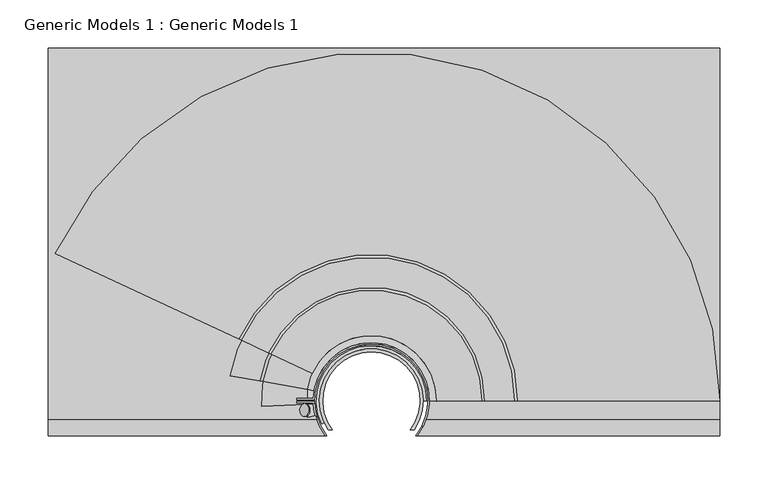
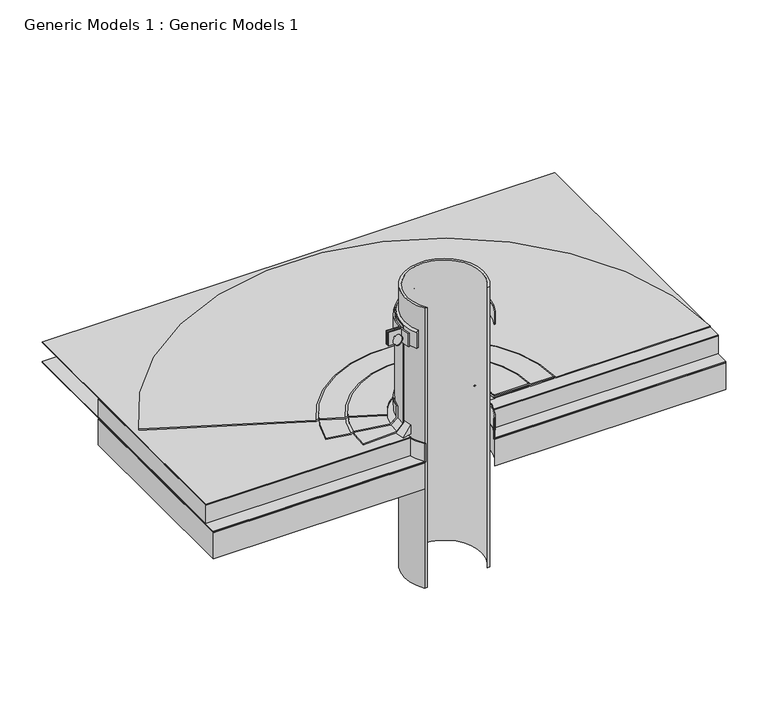
"""IFC4 building model written with IfcOpenShell, lengths in millimetres: proxy geometry, Generic Models 1 : Generic Models 1."""

from ifc_helpers import new_model, si_unit, point, frame, frame_2d, origin, place, context, project, spatial, polyline, circle_curve, ellipse_curve, trimmed, segment, composite_curve, outline, extrude, source, transform, mapped, element, save
from ifc_brep_helpers import plane_surface, cylinder_surface, revolved_surface, advanced_brep


def generic_models_1_generic_models_1_4da182e4(model_context):
    return source(origin(), model_context, "Body", "SolidModel", [
        advanced_brep(
        [(71.2843683, -9.6330364, 365.2623341), (72.7898052, -9.6330364, 365.2623341), (-22.9399046, -9.6330364, 365.2623341), (-21.4344677, -9.6330364, 365.2623341), (71.2843683, -9.6330364, 339.8623341), (71.2843683, -9.6330364, 338.6717091), (387.35, -9.6330364, 338.6717091), (387.35, -9.6330364, 339.8623341), (72.7898052, -9.6330364, 339.8623341), (-22.9399046, -9.6330364, 339.8623341), (-311.15, -9.6330364, 339.8623341), (-311.15, -9.6330364, 338.6717091), (-21.4344677, -9.6330364, 338.6717091), (-21.4344677, -9.6330364, 339.8623341), (387.35, 393.8469389, 339.8623341), (-311.15, 393.8469389, 339.8623341), (-311.15, 393.8469389, 338.6717091), (387.35, 393.8469389, 338.6717091)],
        [
            (0, 1),
            (1, 2, circle_curve(frame((24.9249503, 26.8183165, 365.2623341), z_axis=(0.0, 0.0, 1.0), x_axis=(1.0, 0.0, 0.0)), 60.1643206)),
            (2, 3),
            (3, 0, circle_curve(frame((24.9249503, 26.8183165, 365.2623341), z_axis=(0.0, 0.0, -1.0), x_axis=(1.0, 0.0, 0.0)), 58.9736956)),
            (0, 4),
            (4, 5),
            (5, 6),
            (6, 7),
            (7, 8),
            (8, 1),
            (2, 9),
            (9, 10),
            (10, 11),
            (11, 12),
            (12, 13),
            (13, 3),
            (13, 4, circle_curve(frame((24.9249503, 26.8183165, 339.8623341), z_axis=(0.0, 0.0, -1.0), x_axis=(1.0, 0.0, 0.0)), 58.9736956)),
            (8, 9, circle_curve(frame((24.9249503, 26.8183165, 339.8623341), z_axis=(0.0, 0.0, 1.0), x_axis=(1.0, 0.0, 0.0)), 60.1643206)),
            (7, 14),
            (14, 15),
            (15, 10),
            (11, 16),
            (16, 17),
            (17, 6),
            (5, 12, circle_curve(frame((24.9249503, 26.8183165, 338.6717091), z_axis=(0.0, 0.0, 1.0), x_axis=(1.0, 0.0, 0.0)), 58.9736956)),
            (17, 14),
            (16, 15),
        ],
        [
            plane_surface(frame((71.2843683, -9.6330364, 365.2623341), z_axis=(0.0, 0.0, 1.0), x_axis=(1.0, 0.0, 0.0))),
            plane_surface(frame((71.2843683, -9.6330364, 365.2623341), z_axis=(0.0, -1.0, 0.0), x_axis=(0.0, 0.0, -1.0))),
            plane_surface(frame((-22.9399046, -9.6330364, 365.2623341), z_axis=(0.0, -1.0, 0.0), x_axis=(0.0, 0.0, -1.0))),
            revolved_surface(polyline([(83.89864589999999, 26.8183165, 339.8623341), (83.89864589999999, 26.8183165, 365.2623341)]), (24.9249503, 26.8183165, 339.8623341), (0.0, 0.0, -1.0)),
            cylinder_surface(frame((24.9249503, 26.8183165, 339.8623341), z_axis=(0.0, 0.0, 1.0), x_axis=(1.0, 0.0, 0.0)), 60.1643206),
            plane_surface(frame((83.8986459, 26.8183165, 339.8623341), z_axis=(0.0, 0.0, 1.0), x_axis=(0.0, -1.0, 0.0))),
            plane_surface(frame((83.8986459, 26.8183165, 338.6717091), z_axis=(0.0, 0.0, -1.0), x_axis=(0.0, 1.0, 0.0))),
            revolved_surface(polyline([(83.89864589999999, 26.8183165, 338.6717091), (83.89864589999999, 26.8183165, 339.8623341)]), (24.9249503, 26.8183165, 338.6717091), (0.0, 0.0, -1.0)),
            plane_surface(frame((387.35, -9.6330364, 339.8623341), z_axis=(1.0, 0.0, 0.0), x_axis=(0.0, 0.0, -1.0))),
            plane_surface(frame((387.35, 393.8469389, 339.8623341), z_axis=(0.0, 1.0, 0.0), x_axis=(0.0, 0.0, -1.0))),
            plane_surface(frame((-311.15, 393.8469389, 339.8623341), z_axis=(-1.0, 0.0, 0.0), x_axis=(0.0, 0.0, -1.0))),
        ],
        [
            (0, [[1, 2, 3, 4]]),
            (1, [[-1, 5, 6, 7, 8, 9, 10]]),
            (2, [[-3, 11, 12, 13, 14, 15, 16]]),
            (3, [[-4, -16, 17, -5]]),
            (4, [[-2, -10, 18, -11]]),
            (5, [[19, 20, 21, -12, -18, -9]]),
            (6, [[-14, 22, 23, 24, -7, 25]]),
            (7, [[-25, -6, -17, -15]]),
            (8, [[-19, -8, -24, 26]]),
            (9, [[-20, -26, -23, 27]]),
            (10, [[-21, -27, -22, -13]]),
        ],
    ),
        extrude(outline(composite_curve([segment(polyline([(-311.15, 261.3017557), (387.35, 261.3017557), (387.35, -9.6330364), (72.7898052, -9.6330364)]), True, "CONTINUOUS"), segment(trimmed(circle_curve(frame_2d((24.9249503, 26.8183165)), 60.1643206), [point((72.7898052, -9.6330364))], [point((-22.9399046, -9.6330364))], True, "CARTESIAN"), True, "CONTINUOUS"), segment(polyline([(-22.9399046, -9.6330364), (-311.15, -9.6330364), (-311.15, 261.3017557)]), True, "CONTINUOUS")], self_intersect=False)), frame((0.0, 0.0, 299.6248414), z_axis=(0.0, 0.0, 1.0), x_axis=(1.0, 0.0, 0.0)), (0.0, 0.0, 1.0), 38.1),
        extrude(outline(composite_curve([segment(trimmed(circle_curve(frame_2d((7.0940263, -1.1482682)), 6.6136328), [point((0.5808383, 0.0))], [point((0.5808383, -2.2965365))], False, "CARTESIAN"), True, "CONTINUOUS"), segment(polyline([(0.5808383, -2.2965365), (-0.2871582, -2.2965365), (-0.2871582, 0.0), (0.5808383, 0.0)]), True, "CONTINUOUS")], self_intersect=False)), frame((-42.7345771, 24.1499083, 506.1139344), z_axis=(-0.7071067811865462, 0.0, 0.7071067811865489), x_axis=(0.0, -1.0, 0.0)), (0.0, 0.0, 1.0), 1.5875),
        extrude(outline(composite_curve([segment(polyline([(-33.8071863, 27.6120665), (-52.8625497, 27.6120665), (-52.8625497, 29.1995665), (-35.353033, 29.1995665)]), True, "CONTINUOUS"), segment(trimmed(circle_curve(frame_2d((24.9249503, 26.8183165)), 60.325), [point((-35.353033, 29.1995665))], [point((78.9608969, 0.0))], False, "CARTESIAN"), True, "CONTINUOUS"), segment(polyline([(78.9608969, 0.0), (77.1826943, 0.0)]), True, "CONTINUOUS"), segment(trimmed(circle_curve(frame_2d((24.9249503, 26.8183165)), 58.7375), [point((77.1826943, 0.0))], [point((-33.8071863, 27.6120665))], True, "CARTESIAN"), True, "CONTINUOUS")], self_intersect=False)), frame((0.0, 0.0, 496.1427696), z_axis=(0.0, 0.0, 1.0), x_axis=(1.0, 0.0, 0.0)), (0.0, 0.0, 1.0), 19.05),
        extrude(outline(composite_curve([segment(trimmed(circle_curve(frame_2d((24.9249503, 26.8183165)), 60.325), [point((-33.3196456, 11.1125))], [point((-35.353033, 24.4370665))], False, "CARTESIAN"), True, "CONTINUOUS"), segment(polyline([(-35.353033, 24.4370665), (-52.8625497, 24.4370665), (-52.8625497, 26.0245665), (-33.8071863, 26.0245665)]), True, "CONTINUOUS"), segment(trimmed(circle_curve(frame_2d((24.9249503, 26.8183165)), 58.7375), [point((-33.8071863, 26.0245665))], [point((-31.6738238, 11.1125))], True, "CARTESIAN"), True, "CONTINUOUS"), segment(polyline([(-31.6738238, 11.1125), (-33.3196456, 11.1125)]), True, "CONTINUOUS")], self_intersect=False)), frame((0.0, 0.0, 496.1427696), z_axis=(0.0, 0.0, 1.0), x_axis=(1.0, 0.0, 0.0)), (0.0, 0.0, 1.0), 19.05),
        advanced_brep(
        [(78.8999503, 26.8183165, 520.9252815), (78.8999503, 26.8183165, 496.0797882), (82.0749503, 26.8183165, 496.0797882), (82.0749503, 26.8183165, 518.7101114), (-23.9930125, 4.0074958, 520.9252815), (-26.8705397, 2.6656828, 518.7101114), (-26.8705397, 2.6656828, 496.0797882), (-23.9930125, 4.0074958, 496.0797882)],
        [
            (0, 1),
            (1, 2),
            (2, 3),
            (3, 0, circle_curve(frame((77.9949597, 26.8183165, 516.2452133), z_axis=(0.0, -1.0, 0.0), x_axis=(1.0, 0.0, 0.0)), 4.7667648)),
            (4, 5, circle_curve(frame((-23.1728124, 4.3899614, 516.2452133), z_axis=(0.42261826174069284, -0.906307787036653, 0.0), x_axis=(-0.906307787036653, -0.42261826174069284, 0.0)), 4.7667648)),
            (5, 6),
            (6, 7),
            (7, 4),
            (7, 1, circle_curve(frame((24.9249503, 26.8183165, 496.0797882), z_axis=(0.0, 0.0, -1.0), x_axis=(1.0, 0.0, 0.0)), 53.975)),
            (0, 4, circle_curve(frame((24.9249503, 26.8183165, 520.9252815), z_axis=(0.0, 0.0, 1.0), x_axis=(1.0, 0.0, 0.0)), 53.975)),
            (6, 2, circle_curve(frame((24.9249503, 26.8183165, 496.0797882), z_axis=(0.0, 0.0, -1.0), x_axis=(1.0, 0.0, 0.0)), 57.15)),
            (5, 3, circle_curve(frame((24.9249503, 26.8183165, 518.7101114), z_axis=(0.0, 0.0, -1.0), x_axis=(1.0, 0.0, 0.0)), 57.15)),
        ],
        [
            plane_surface(frame((24.9249503, 26.8183165, 553.3315424), z_axis=(0.0, -1.0, 0.0), x_axis=(1.0, 0.0, 0.0))),
            plane_surface(frame((24.9249503, 26.8183165, 553.3315424), z_axis=(0.42261826174069284, -0.9063077870366532, 0.0), x_axis=(-0.9063077870366532, -0.42261826174069284, 0.0))),
            revolved_surface(polyline([(78.8999503, 26.8183165, 520.9252815), (78.8999503, 26.8183165, 496.0797882)]), (24.9249503, 26.8183165, 553.3315424), (0.0, 0.0, 1.0)),
            plane_surface(frame((24.9249503, 26.8183165, 496.0797882), z_axis=(0.0, 0.0, -1.0), x_axis=(1.0, 0.0, 0.0))),
            cylinder_surface(frame((24.9249503, 26.8183165, 553.3315424), z_axis=(0.0, 0.0, 1.0), x_axis=(1.0, 0.0, 0.0)), 57.15),
            revolved_surface(trimmed(ellipse_curve(frame((77.9949597, 26.8183165, 516.2452133), z_axis=(0.0, -1.0, 0.0), x_axis=(1.0, 0.0, 0.0)), 4.7667648, 4.7667648), [point((82.0749503, 26.8183165, 518.7101114))], [point((78.8999503, 26.8183165, 520.9252815))], True, "CARTESIAN"), (24.9249503, 26.8183165, 553.3315424), (0.0, 0.0, 1.0)),
        ],
        [
            (0, [[1, 2, 3, 4]]),
            (1, [[5, 6, 7, 8]]),
            (2, [[9, -1, 10, -8]]),
            (3, [[11, -2, -9, -7]]),
            (4, [[12, -3, -11, -6]]),
            (5, [[-10, -4, -12, -5]]),
        ],
    ),
        advanced_brep(
        [(139.6503197, 26.8183165, 371.140159), (142.5347345, 26.8183165, 369.4748414), (173.8593651, 26.8183165, 369.4748414), (176.74378, 26.8183165, 367.8095237), (387.35, 26.8183165, 367.8095237), (387.35, 26.8183165, 369.3970237), (177.1691493, 26.8183165, 369.3970237), (174.2847345, 26.8183165, 371.0623414), (142.9601038, 26.8183165, 371.0623414), (140.075689, 26.8183165, 372.727659), (92.8372607, 26.8183165, 372.727659), (92.8372607, 26.8183165, 371.140159), (-79.0515453, 75.3033527, 371.140159), (-36.6245054, 55.5192991, 371.140159), (-36.6245054, 55.5192991, 372.727659), (-79.4370608, 75.4831215, 372.727659), (-82.0512285, 76.7021279, 371.0623414), (-110.4409852, 89.9404889, 371.0623414), (-113.0551528, 91.1594952, 369.3970237), (-303.5436944, 179.985761, 369.3970237), (-303.5436944, 179.985761, 367.8095237), (-112.6696372, 90.9797264, 367.8095237), (-110.0554696, 89.76072, 369.4748414), (-81.6657129, 76.522359, 369.4748414)],
        [
            (0, 1),
            (1, 2),
            (2, 3),
            (3, 4),
            (4, 5),
            (5, 6),
            (6, 7),
            (7, 8),
            (8, 9),
            (9, 10),
            (10, 11),
            (11, 0),
            (12, 13),
            (13, 14),
            (14, 15),
            (15, 16),
            (16, 17),
            (17, 18),
            (18, 19),
            (19, 20),
            (20, 21),
            (21, 22),
            (22, 23),
            (23, 12),
            (22, 2, circle_curve(frame((24.9249503, 26.8183165, 369.4748414), z_axis=(0.0, 0.0, -1.0), x_axis=(1.0, 0.0, 0.0)), 148.9344148)),
            (1, 23, circle_curve(frame((24.9249503, 26.8183165, 369.4748414), z_axis=(0.0, 0.0, 1.0), x_axis=(1.0, 0.0, 0.0)), 117.6097842)),
            (0, 12, circle_curve(frame((24.9249503, 26.8183165, 371.140159), z_axis=(0.0, 0.0, 1.0), x_axis=(1.0, 0.0, 0.0)), 114.7253693)),
            (11, 13, circle_curve(frame((24.9249503, 26.8183165, 371.140159), z_axis=(0.0, 0.0, 1.0), x_axis=(1.0, 0.0, 0.0)), 67.9123104)),
            (21, 3, circle_curve(frame((24.9249503, 26.8183165, 367.8095237), z_axis=(0.0, 0.0, -1.0), x_axis=(1.0, 0.0, 0.0)), 151.8188297)),
            (20, 4, circle_curve(frame((24.9249503, 26.8183165, 367.8095237), z_axis=(0.0, 0.0, -1.0), x_axis=(1.0, 0.0, 0.0)), 362.4250497)),
            (19, 5, circle_curve(frame((24.9249503, 26.8183165, 369.3970237), z_axis=(0.0, 0.0, -1.0), x_axis=(1.0, 0.0, 0.0)), 362.4250497)),
            (18, 6, circle_curve(frame((24.9249503, 26.8183165, 369.3970237), z_axis=(0.0, 0.0, -1.0), x_axis=(1.0, 0.0, 0.0)), 152.244199)),
            (17, 7, circle_curve(frame((24.9249503, 26.8183165, 371.0623414), z_axis=(0.0, 0.0, -1.0), x_axis=(1.0, 0.0, 0.0)), 149.3597842)),
            (16, 8, circle_curve(frame((24.9249503, 26.8183165, 371.0623414), z_axis=(0.0, 0.0, -1.0), x_axis=(1.0, 0.0, 0.0)), 118.0351535)),
            (15, 9, circle_curve(frame((24.9249503, 26.8183165, 372.727659), z_axis=(0.0, 0.0, -1.0), x_axis=(1.0, 0.0, 0.0)), 115.1507387)),
            (14, 10, circle_curve(frame((24.9249503, 26.8183165, 372.727659), z_axis=(0.0, 0.0, -1.0), x_axis=(1.0, 0.0, 0.0)), 67.9123104)),
        ],
        [
            plane_surface(frame((24.9249503, 26.8183165, 553.3315424), z_axis=(0.0, -1.0, 0.0), x_axis=(1.0, 0.0, 0.0))),
            plane_surface(frame((24.9249503, 26.8183165, 553.3315424), z_axis=(-0.42261826174070477, -0.9063077870366475, 0.0), x_axis=(-0.9063077870366475, 0.42261826174070477, 0.0))),
            plane_surface(frame((24.9249503, 26.8183165, 369.4748414), z_axis=(0.0, 0.0, -1.0), x_axis=(1.0, 0.0, 0.0))),
            revolved_surface(polyline([(139.6503197, 26.8183165, 371.140159), (142.5347345, 26.8183165, 369.4748414)]), (24.9249503, 26.8183165, 553.3315424), (0.0, 0.0, 1.0)),
            plane_surface(frame((24.9249503, 26.8183165, 371.140159), z_axis=(0.0, 0.0, -1.0), x_axis=(1.0, 0.0, 0.0))),
            revolved_surface(polyline([(173.8593651, 26.8183165, 369.4748414), (176.74378, 26.8183165, 367.8095237)]), (24.9249503, 26.8183165, 553.3315424), (0.0, 0.0, 1.0)),
            plane_surface(frame((24.9249503, 26.8183165, 367.8095237), z_axis=(0.0, 0.0, -1.0), x_axis=(1.0, 0.0, 0.0))),
            cylinder_surface(frame((24.9249503, 26.8183165, 553.3315424), z_axis=(0.0, 0.0, 1.0), x_axis=(1.0, 0.0, 0.0)), 362.4250497),
            plane_surface(frame((24.9249503, 26.8183165, 369.3970237), z_axis=(0.0, 0.0, 1.0), x_axis=(1.0, 0.0, 0.0))),
            revolved_surface(polyline([(177.1691493, 26.8183165, 369.3970237), (174.2847345, 26.8183165, 371.0623414)]), (24.9249503, 26.8183165, 553.3315424), (0.0, 0.0, 1.0)),
            plane_surface(frame((24.9249503, 26.8183165, 371.0623414), z_axis=(0.0, 0.0, 1.0), x_axis=(1.0, 0.0, 0.0))),
            revolved_surface(polyline([(142.9601038, 26.8183165, 371.0623414), (140.075689, 26.8183165, 372.727659)]), (24.9249503, 26.8183165, 553.3315424), (0.0, 0.0, 1.0)),
            plane_surface(frame((24.9249503, 26.8183165, 372.727659), z_axis=(0.0, 0.0, 1.0), x_axis=(1.0, 0.0, 0.0))),
            revolved_surface(polyline([(92.8372607, 26.8183165, 372.727659), (92.8372607, 26.8183165, 371.140159)]), (24.9249503, 26.8183165, 553.3315424), (0.0, 0.0, 1.0)),
        ],
        [
            (0, [[1, 2, 3, 4, 5, 6, 7, 8, 9, 10, 11, 12]]),
            (1, [[13, 14, 15, 16, 17, 18, 19, 20, 21, 22, 23, 24]]),
            (2, [[25, -2, 26, -23]]),
            (3, [[-26, -1, 27, -24]]),
            (4, [[-27, -12, 28, -13]]),
            (5, [[29, -3, -25, -22]]),
            (6, [[30, -4, -29, -21]]),
            (7, [[31, -5, -30, -20]]),
            (8, [[32, -6, -31, -19]]),
            (9, [[33, -7, -32, -18]]),
            (10, [[34, -8, -33, -17]]),
            (11, [[35, -9, -34, -16]]),
            (12, [[36, -10, -35, -15]]),
            (13, [[-28, -11, -36, -14]]),
        ],
    ),
        advanced_brep(
        [(83.6624503, 26.8183165, 378.0699054), (92.1796967, 26.8183165, 369.552659), (139.2249503, 26.8183165, 369.552659), (142.1093651, 26.8183165, 367.8873414), (173.8593651, 26.8183165, 367.8873414), (173.8593651, 26.8183165, 369.4748414), (142.5347345, 26.8183165, 369.4748414), (139.6503197, 26.8183165, 371.140159), (92.8372607, 26.8183165, 371.140159), (85.2499503, 26.8183165, 378.7274694), (85.2499503, 26.8183165, 394.952659), (83.6624503, 26.8183165, 394.952659), (-32.9201951, 37.0179763, 378.0699054), (-32.9201951, 37.0179763, 394.952659), (-34.4835774, 37.2936428, 394.952659), (-34.4835774, 37.2936428, 378.7274694), (-41.9556195, 38.6111654, 371.140159), (-88.0574829, 46.7401678, 371.140159), (-90.898077, 47.2410412, 369.4748414), (-121.7468161, 52.6805062, 369.4748414), (-121.7468161, 52.6805062, 367.8873414), (-90.4791699, 47.1671766, 367.8873414), (-87.6385759, 46.6663032, 369.552659), (-41.3080453, 38.4969806, 369.552659)],
        [
            (0, 1),
            (1, 2),
            (2, 3),
            (3, 4),
            (4, 5),
            (5, 6),
            (6, 7),
            (7, 8),
            (8, 9),
            (9, 10),
            (10, 11),
            (11, 0),
            (12, 13),
            (13, 14),
            (14, 15),
            (15, 16),
            (16, 17),
            (17, 18),
            (18, 19),
            (19, 20),
            (20, 21),
            (21, 22),
            (22, 23),
            (23, 12),
            (22, 2, circle_curve(frame((24.9249503, 26.8183165, 369.552659), z_axis=(0.0, 0.0, -1.0), x_axis=(1.0, 0.0, 0.0)), 114.3)),
            (1, 23, circle_curve(frame((24.9249503, 26.8183165, 369.552659), z_axis=(0.0, 0.0, 1.0), x_axis=(1.0, 0.0, 0.0)), 67.2547464)),
            (0, 12, circle_curve(frame((24.9249503, 26.8183165, 378.0699054), z_axis=(0.0, 0.0, 1.0), x_axis=(1.0, 0.0, 0.0)), 58.7375)),
            (11, 13, circle_curve(frame((24.9249503, 26.8183165, 394.952659), z_axis=(0.0, 0.0, 1.0), x_axis=(1.0, 0.0, 0.0)), 58.7375)),
            (21, 3, circle_curve(frame((24.9249503, 26.8183165, 367.8873414), z_axis=(0.0, 0.0, -1.0), x_axis=(1.0, 0.0, 0.0)), 117.1844148)),
            (20, 4, circle_curve(frame((24.9249503, 26.8183165, 367.8873414), z_axis=(0.0, 0.0, -1.0), x_axis=(1.0, 0.0, 0.0)), 148.9344148)),
            (19, 5, circle_curve(frame((24.9249503, 26.8183165, 369.4748414), z_axis=(0.0, 0.0, -1.0), x_axis=(1.0, 0.0, 0.0)), 148.9344148)),
            (18, 6, circle_curve(frame((24.9249503, 26.8183165, 369.4748414), z_axis=(0.0, 0.0, -1.0), x_axis=(1.0, 0.0, 0.0)), 117.6097842)),
            (17, 7, circle_curve(frame((24.9249503, 26.8183165, 371.140159), z_axis=(0.0, 0.0, -1.0), x_axis=(1.0, 0.0, 0.0)), 114.7253693)),
            (16, 8, circle_curve(frame((24.9249503, 26.8183165, 371.140159), z_axis=(0.0, 0.0, -1.0), x_axis=(1.0, 0.0, 0.0)), 67.9123104)),
            (15, 9, circle_curve(frame((24.9249503, 26.8183165, 378.7274694), z_axis=(0.0, 0.0, -1.0), x_axis=(1.0, 0.0, 0.0)), 60.325)),
            (14, 10, circle_curve(frame((24.9249503, 26.8183165, 394.952659), z_axis=(0.0, 0.0, -1.0), x_axis=(1.0, 0.0, 0.0)), 60.325)),
        ],
        [
            plane_surface(frame((24.9249503, 26.8183165, 553.3315424), z_axis=(0.0, -1.0, 0.0), x_axis=(1.0, 0.0, 0.0))),
            plane_surface(frame((24.9249503, 26.8183165, 553.3315424), z_axis=(-0.17364817766693685, -0.984807753012207, 0.0), x_axis=(-0.984807753012207, 0.17364817766693685, 0.0))),
            plane_surface(frame((24.9249503, 26.8183165, 369.552659), z_axis=(0.0, 0.0, -1.0), x_axis=(1.0, 0.0, 0.0))),
            revolved_surface(polyline([(83.6624503, 26.8183165, 378.0699054), (92.1796967, 26.8183165, 369.552659)]), (24.9249503, 26.8183165, 553.3315424), (0.0, 0.0, 1.0)),
            revolved_surface(polyline([(83.66245029999999, 26.8183165, 394.952659), (83.66245029999999, 26.8183165, 378.0699054)]), (24.9249503, 26.8183165, 553.3315424), (0.0, 0.0, 1.0)),
            revolved_surface(polyline([(139.2249503, 26.8183165, 369.552659), (142.1093651, 26.8183165, 367.8873414)]), (24.9249503, 26.8183165, 553.3315424), (0.0, 0.0, 1.0)),
            plane_surface(frame((24.9249503, 26.8183165, 367.8873414), z_axis=(0.0, 0.0, -1.0), x_axis=(1.0, 0.0, 0.0))),
            cylinder_surface(frame((24.9249503, 26.8183165, 553.3315424), z_axis=(0.0, 0.0, 1.0), x_axis=(1.0, 0.0, 0.0)), 148.9344148),
            plane_surface(frame((24.9249503, 26.8183165, 369.4748414), z_axis=(0.0, 0.0, 1.0), x_axis=(1.0, 0.0, 0.0))),
            revolved_surface(polyline([(142.5347345, 26.8183165, 369.4748414), (139.6503197, 26.8183165, 371.140159)]), (24.9249503, 26.8183165, 553.3315424), (0.0, 0.0, 1.0)),
            plane_surface(frame((24.9249503, 26.8183165, 371.140159), z_axis=(0.0, 0.0, 1.0), x_axis=(1.0, 0.0, 0.0))),
            revolved_surface(polyline([(92.8372607, 26.8183165, 371.140159), (85.2499503, 26.8183165, 378.7274694)]), (24.9249503, 26.8183165, 553.3315424), (0.0, 0.0, 1.0)),
            cylinder_surface(frame((24.9249503, 26.8183165, 553.3315424), z_axis=(0.0, 0.0, 1.0), x_axis=(1.0, 0.0, 0.0)), 60.325),
            plane_surface(frame((24.9249503, 26.8183165, 394.952659), z_axis=(0.0, 0.0, 1.0), x_axis=(1.0, 0.0, 0.0))),
        ],
        [
            (0, [[1, 2, 3, 4, 5, 6, 7, 8, 9, 10, 11, 12]]),
            (1, [[13, 14, 15, 16, 17, 18, 19, 20, 21, 22, 23, 24]]),
            (2, [[25, -2, 26, -23]]),
            (3, [[-26, -1, 27, -24]]),
            (4, [[-27, -12, 28, -13]]),
            (5, [[29, -3, -25, -22]]),
            (6, [[30, -4, -29, -21]]),
            (7, [[31, -5, -30, -20]]),
            (8, [[32, -6, -31, -19]]),
            (9, [[33, -7, -32, -18]]),
            (10, [[34, -8, -33, -17]]),
            (11, [[35, -9, -34, -16]]),
            (12, [[36, -10, -35, -15]]),
            (13, [[-28, -11, -36, -14]]),
        ],
    ),
        advanced_brep(
        [(139.2249503, 26.8183165, 367.965159), (139.2249503, 26.8183165, 369.552659), (92.1796967, 26.8183165, 369.552659), (83.6624503, 26.8183165, 378.0699054), (83.6624503, 26.8183165, 518.7101114), (82.0749503, 26.8183165, 518.7101114), (82.0749503, 26.8183165, 377.4123414), (91.5221326, 26.8183165, 367.965159), (-89.2179094, 20.8268587, 367.965159), (-41.5806739, 23.3273786, 367.965159), (-32.1464796, 23.8225876, 377.4123414), (-32.1464796, 23.8225876, 518.7101114), (-33.7317971, 23.7393729, 518.7101114), (-33.7317971, 23.7393729, 378.0699054), (-42.2373339, 23.2929099, 369.552659), (-89.2179094, 20.8268587, 369.552659)],
        [
            (0, 1),
            (1, 2),
            (2, 3),
            (3, 4),
            (4, 5),
            (5, 6),
            (6, 7),
            (7, 0),
            (8, 9),
            (9, 10),
            (10, 11),
            (11, 12),
            (12, 13),
            (13, 14),
            (14, 15),
            (15, 8),
            (15, 1, circle_curve(frame((24.9249503, 26.8183165, 369.552659), z_axis=(0.0, 0.0, -1.0), x_axis=(1.0, 0.0, 0.0)), 114.3)),
            (0, 8, circle_curve(frame((24.9249503, 26.8183165, 367.965159), z_axis=(0.0, 0.0, 1.0), x_axis=(1.0, 0.0, 0.0)), 114.3)),
            (14, 2, circle_curve(frame((24.9249503, 26.8183165, 369.552659), z_axis=(0.0, 0.0, -1.0), x_axis=(1.0, 0.0, 0.0)), 67.2547464)),
            (13, 3, circle_curve(frame((24.9249503, 26.8183165, 378.0699054), z_axis=(0.0, 0.0, -1.0), x_axis=(1.0, 0.0, 0.0)), 58.7375)),
            (12, 4, circle_curve(frame((24.9249503, 26.8183165, 518.7101114), z_axis=(0.0, 0.0, -1.0), x_axis=(1.0, 0.0, 0.0)), 58.7375)),
            (11, 5, circle_curve(frame((24.9249503, 26.8183165, 518.7101114), z_axis=(0.0, 0.0, -1.0), x_axis=(1.0, 0.0, 0.0)), 57.15)),
            (10, 6, circle_curve(frame((24.9249503, 26.8183165, 377.4123414), z_axis=(0.0, 0.0, -1.0), x_axis=(1.0, 0.0, 0.0)), 57.15)),
            (9, 7, circle_curve(frame((24.9249503, 26.8183165, 367.965159), z_axis=(0.0, 0.0, -1.0), x_axis=(1.0, 0.0, 0.0)), 66.5971823)),
        ],
        [
            plane_surface(frame((24.9249503, 26.8183165, 553.3315424), z_axis=(0.0, -1.0, 0.0), x_axis=(1.0, 0.0, 0.0))),
            plane_surface(frame((24.9249503, 26.8183165, 553.3315424), z_axis=(0.05241870301951153, -0.9986251947421277, 0.0), x_axis=(-0.9986251947421277, -0.05241870301951153, 0.0))),
            cylinder_surface(frame((24.9249503, 26.8183165, 553.3315424), z_axis=(0.0, 0.0, 1.0), x_axis=(1.0, 0.0, 0.0)), 114.3),
            plane_surface(frame((24.9249503, 26.8183165, 369.552659), z_axis=(0.0, 0.0, 1.0), x_axis=(1.0, 0.0, 0.0))),
            revolved_surface(polyline([(92.1796967, 26.8183165, 369.552659), (83.6624503, 26.8183165, 378.0699054)]), (24.9249503, 26.8183165, 553.3315424), (0.0, 0.0, 1.0)),
            cylinder_surface(frame((24.9249503, 26.8183165, 553.3315424), z_axis=(0.0, 0.0, 1.0), x_axis=(1.0, 0.0, 0.0)), 58.7375),
            plane_surface(frame((24.9249503, 26.8183165, 518.7101114), z_axis=(0.0, 0.0, 1.0), x_axis=(1.0, 0.0, 0.0))),
            revolved_surface(polyline([(82.0749503, 26.8183165, 518.7101114), (82.0749503, 26.8183165, 377.4123414)]), (24.9249503, 26.8183165, 553.3315424), (0.0, 0.0, 1.0)),
            revolved_surface(polyline([(82.0749503, 26.8183165, 377.4123414), (91.5221326, 26.8183165, 367.965159)]), (24.9249503, 26.8183165, 553.3315424), (0.0, 0.0, 1.0)),
            plane_surface(frame((24.9249503, 26.8183165, 367.965159), z_axis=(0.0, 0.0, -1.0), x_axis=(1.0, 0.0, 0.0))),
        ],
        [
            (0, [[1, 2, 3, 4, 5, 6, 7, 8]]),
            (1, [[9, 10, 11, 12, 13, 14, 15, 16]]),
            (2, [[17, -1, 18, -16]]),
            (3, [[19, -2, -17, -15]]),
            (4, [[20, -3, -19, -14]]),
            (5, [[21, -4, -20, -13]]),
            (6, [[22, -5, -21, -12]]),
            (7, [[23, -6, -22, -11]]),
            (8, [[24, -7, -23, -10]]),
            (9, [[-18, -8, -24, -9]]),
        ],
    ),
        advanced_brep(
        [(80.4863383, 26.4667976, 380.5873414), (80.4863383, 26.4667976, 367.8873414), (93.1860842, 26.3864504, 367.8873414), (-28.840273, 12.8007502, 380.5873414), (-41.1294669, 9.5967351, 367.8873414), (-28.840273, 12.8007502, 367.8873414)],
        [
            (0, 1),
            (1, 2),
            (2, 0),
            (3, 4),
            (4, 5),
            (5, 3),
            (5, 1, circle_curve(frame((24.9249503, 26.8183165, 367.8873414), z_axis=(0.0, 0.0, -1.0), x_axis=(0.9999799871872431, -0.006326549217469668, 0.0)), 55.5625)),
            (0, 3, circle_curve(frame((24.9249503, 26.8183165, 380.5873414), z_axis=(0.0, 0.0, 1.0), x_axis=(0.9999799871872431, -0.006326549217469668, 0.0)), 55.5625)),
            (4, 2, circle_curve(frame((24.9249503, 26.8183165, 367.8873414), z_axis=(0.0, 0.0, -1.0), x_axis=(0.9999799871872431, -0.006326549217469668, 0.0)), 68.2625)),
        ],
        [
            plane_surface(frame((80.4863383, 26.4667976, 367.8873414), z_axis=(-0.006326549217469697, -0.9999799871872432, 0.0), x_axis=(0.0, 0.0, 1.0))),
            plane_surface(frame((-28.840273, 12.8007502, 367.8873414), z_axis=(0.25228465749856094, -0.9676530636497949, 0.0), x_axis=(0.0, 0.0, 1.0))),
            revolved_surface(polyline([(80.4863383380912, 26.466797609104344, 380.5873414), (80.4863383380912, 26.466797609104344, 367.8873414)]), (24.9249503, 26.8183165, 367.8873414), (0.0, 0.0, 1.0)),
            plane_surface(frame((24.9249503, 26.8183165, 367.8873414), z_axis=(0.0, 0.0, -1.0000000000000002), x_axis=(0.9999799871872432, -0.006326549217469669, 0.0))),
            revolved_surface(polyline([(93.1860842, 26.3864504, 367.8873414), (80.4863383, 26.4667976, 380.5873414)]), (24.9249503, 26.8183165, 367.8873414), (0.0, 0.0, 1.0)),
        ],
        [
            (0, [[1, 2, 3]]),
            (1, [[4, 5, 6]]),
            (2, [[7, -1, 8, -6]]),
            (3, [[9, -2, -7, -5]]),
            (4, [[-8, -3, -9, -4]]),
        ],
    ),
        extrude(outline(composite_curve([segment(polyline([(-311.15, 393.8469389), (387.35, 393.8469389), (387.35, 7.5776616), (81.9297104, 7.5776616)]), True, "CONTINUOUS"), segment(trimmed(circle_curve(frame_2d((24.9249503, 26.8183165)), 60.1643206), [point((81.9297104, 7.5776616))], [point((-32.0798097, 7.5776616))], True, "CARTESIAN"), True, "CONTINUOUS"), segment(polyline([(-32.0798097, 7.5776616), (-311.15, 7.5776616), (-311.15, 393.8469389)]), True, "CONTINUOUS")], self_intersect=False)), frame((0.0, 0.0, 367.0935914), z_axis=(0.0, 0.0, 1.0), x_axis=(1.0, 0.0, 0.0)), (0.0, 0.0, 1.0), 0.79375),
        extrude(outline(composite_curve([segment(polyline([(-311.15, 261.3017557), (387.35, 261.3017557), (387.35, 7.5776616), (81.9297104, 7.5776616)]), True, "CONTINUOUS"), segment(trimmed(circle_curve(frame_2d((24.9249503, 26.8183165)), 60.1643206), [point((81.9297104, 7.5776616))], [point((-32.0798097, 7.5776616))], True, "CARTESIAN"), True, "CONTINUOUS"), segment(polyline([(-32.0798097, 7.5776616), (-311.15, 7.5776616), (-311.15, 261.3017557)]), True, "CONTINUOUS")], self_intersect=False)), frame((0.0, 0.0, 340.8998414), z_axis=(0.0, 0.0, 1.0), x_axis=(1.0, 0.0, 0.0)), (0.0, 0.0, 1.0), 25.4),
        extrude(outline(composite_curve([segment(polyline([(-15.7164484, -3.6598185), (-19.6214739, -3.6598185)]), True, "CONTINUOUS"), segment(trimmed(circle_curve(frame_2d((24.9249503, 26.8183165)), 53.975), [point((-19.6214739, -3.6598185))], [point((69.4713745, -3.6598185))], False, "CARTESIAN"), True, "CONTINUOUS"), segment(polyline([(69.4713745, -3.6598185), (65.566349, -3.6598185)]), True, "CONTINUOUS"), segment(trimmed(circle_curve(frame_2d((24.9249503, 26.8183165)), 50.8), [point((65.566349, -3.6598185))], [point((-15.7164484, -3.6598185))], True, "CARTESIAN"), True, "CONTINUOUS")], self_intersect=False)), frame((0.0, 0.0, 151.6905235), z_axis=(0.0, 0.0, 1.0), x_axis=(1.0, 0.0, 0.0)), (0.0, 0.0, 1.0), 403.9969481),
    ])


if __name__ == "__main__":
    model = new_model("IFC4")
    model_context = context("Model", 3, world=origin())
    ifc_project = project(units=[si_unit("LENGTHUNIT", "METRE", prefix="MILLI")], contexts=[model_context])
    site = spatial("IfcSite", under=ifc_project)
    building = spatial("IfcBuilding", under=site)
    placement = place(None, origin())
    generic_models_1_generic_models_1_shape = generic_models_1_generic_models_1_4da182e4(model_context)
    element("IfcBuildingElementProxy", 1, Name="Generic Models 1 : Generic Models 1", ObjectType="Generic Models 1 : Generic Models 1", at=placement, inside=building, context=model_context, shape_type="MappedRepresentation", body=[
        mapped(generic_models_1_generic_models_1_shape, transform((0.0, 0.0, 0.0), x_axis=(1.0, 0.0, 0.0), y_axis=(0.0, 1.0, 0.0), z_axis=(0.0, 0.0, 1.0))),
    ])
    save(model, "model.ifc")
